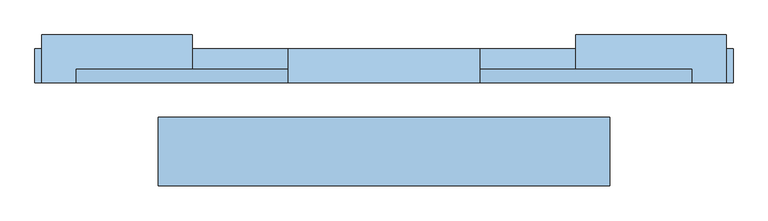
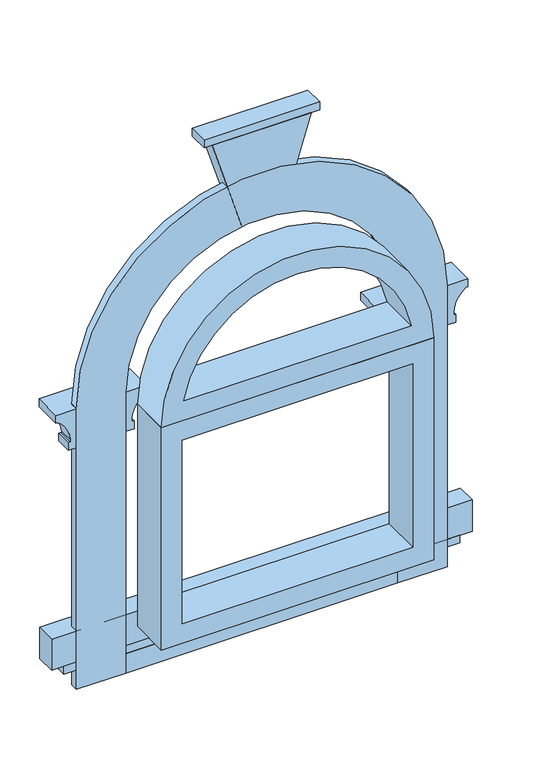
"""IFC4 building model written with IfcOpenShell, lengths in millimetres: window geometry."""

from ifc_helpers import new_model, si_unit, point, frame, frame_2d, origin, place, context, project, spatial, polyline, circle_curve, ellipse_curve, trimmed, segment, composite_curve, outline, extrude, faceted_brep, source, transform, mapped, element, save
from ifc_brep_helpers import plane_surface, revolved_surface, advanced_brep


def window_09633ce5(model_context):
    return source(origin(), model_context, "Body", "SolidModel", [
        extrude(outline(composite_curve([segment(polyline([(650.0, 330.0), (650.0, 450.0), (1370.0, 450.0)]), True, "CONTINUOUS"), segment(trimmed(circle_curve(frame_2d((1370.0, 0.0)), 450.0), [point((1370.0, 450.0))], [point((1370.0, -450.0))], False, "CARTESIAN"), True, "CONTINUOUS"), segment(polyline([(1370.0, -450.0), (650.0, -450.0), (650.0, -330.0), (1370.0, -330.0)]), True, "CONTINUOUS"), segment(trimmed(circle_curve(frame_2d((1370.0, 0.0)), 330.0), [point((1370.0, -330.0))], [point((1370.0, 330.0))], True, "CARTESIAN"), True, "CONTINUOUS"), segment(polyline([(1370.0, 330.0), (650.0, 330.0)]), True, "CONTINUOUS")], self_intersect=False)), frame((0.0, 100.0, 0.0), z_axis=(0.0, 1.0, 0.0), x_axis=(0.0, 0.0, 1.0)), (0.0, 0.0, 1.0), 20.0),
        extrude(outline(polyline([(800.0, 330.0), (1370.0, 330.0), (1370.0, -330.0), (800.0, -330.0), (800.0, 330.0)]), holes=[polyline([(850.0, -280.0), (1320.0, -280.0), (1320.0, 280.0), (850.0, 280.0), (850.0, -280.0)])]), frame((0.0, -50.0, 0.0), z_axis=(0.0, 1.0, 0.0), x_axis=(0.0, 0.0, 1.0)), (0.0, 0.0, 1.0), 100.0),
        faceted_brep([(120.0, 100.0, 1930.0), (120.0, 145.0, 1930.0), (-120.0, 145.0, 1930.0), (-120.0, 100.0, 1930.0), (50.0, 100.0, 1700.0), (-50.0, 100.0, 1700.0), (-50.0, 140.0, 1700.0), (50.0, 140.0, 1700.0)], [[[0, 1, 2, 3]], [[4, 5, 6, 7]], [[4, 7, 1, 0]], [[7, 6, 2, 1]], [[6, 5, 3, 2]], [[5, 4, 0, 3]]]),
        extrude(outline(polyline([(140.0, 100.0), (-140.0, 100.0), (-140.0, 150.0), (140.0, 150.0), (140.0, 100.0)])), frame((0.0, 0.0, 1930.0), z_axis=(0.0, 0.0, 1.0), x_axis=(1.0, 0.0, 0.0)), (0.0, 0.0, 1.0), 20.0),
        advanced_brep(
        [(500.0, 100.0, 1370.0), (450.0, 100.0, 1370.0), (450.0, 100.0, 1270.0), (470.0, 100.0, 1270.0), (470.0, 100.0, 1290.0), (465.0, 100.0, 1290.0), (465.0, 100.0, 1295.0), (495.0, 100.0, 1350.0), (500.0, 100.0, 1350.0), (500.0, 170.0, 1370.0), (280.0, 170.0, 1370.0), (280.0, 100.0, 1370.0), (330.0, 100.0, 1370.0), (330.0, 120.0, 1370.0), (450.0, 120.0, 1370.0), (450.0, 120.0, 1270.0), (330.0, 120.0, 1270.0), (330.0, 100.0, 1270.0), (310.0, 100.0, 1270.0), (310.0, 140.0, 1270.0), (470.0, 140.0, 1270.0), (470.0, 140.0, 1290.0), (310.0, 140.0, 1290.0), (310.0, 100.0, 1290.0), (315.0, 100.0, 1290.0), (315.0, 135.0, 1290.0), (465.0, 135.0, 1290.0), (465.0, 135.0, 1295.0), (495.0, 165.0, 1350.0), (285.0, 165.0, 1350.0), (285.0, 100.0, 1350.0), (280.0, 100.0, 1350.0), (280.0, 170.0, 1350.0), (500.0, 170.0, 1350.0), (315.0, 135.0, 1295.0), (315.0, 100.0, 1295.0)],
        [
            (0, 1),
            (1, 2),
            (2, 3),
            (3, 4),
            (4, 5),
            (5, 6),
            (6, 7, circle_curve(frame((530.4166667, 100.0, 1295.0), z_axis=(0.0, 1.0, 0.0), x_axis=(-1.0, 0.0, 0.0)), 65.4166667)),
            (7, 8),
            (8, 0),
            (0, 9),
            (9, 10),
            (10, 11),
            (11, 12),
            (12, 13),
            (13, 14),
            (14, 1),
            (14, 15),
            (15, 2),
            (15, 16),
            (16, 17),
            (17, 18),
            (18, 19),
            (19, 20),
            (20, 3),
            (20, 21),
            (21, 4),
            (21, 22),
            (22, 23),
            (23, 24),
            (24, 25),
            (25, 26),
            (26, 5),
            (26, 27),
            (27, 6),
            (27, 28, ellipse_curve(frame((530.4166667, 200.4166667, 1295.0), z_axis=(-0.7071067811865475, 0.7071067811865475, 0.0), x_axis=(0.7071067811865474, 0.7071067811865476, 0.0)), 92.5131372, 65.4166667)),
            (28, 7),
            (28, 29),
            (29, 30),
            (30, 31),
            (31, 32),
            (32, 33),
            (33, 8),
            (33, 9),
            (13, 16),
            (19, 22),
            (25, 34),
            (34, 27),
            (34, 29, ellipse_curve(frame((249.5833333, 200.4166667, 1295.0), z_axis=(-0.7071067811865475, -0.7071067811865475, 0.0), x_axis=(-0.7071067811865476, 0.7071067811865474, 0.0)), 92.5131372, 65.4166667)),
            (32, 10),
            (11, 31),
            (30, 35, circle_curve(frame((249.5833333, 100.0, 1295.0), z_axis=(0.0, 1.0, 0.0), x_axis=(1.0, 0.0, 0.0)), 65.4166667)),
            (35, 24),
            (23, 18),
            (17, 12),
            (35, 34),
        ],
        [
            plane_surface(frame((450.0, 100.0, 0.0), z_axis=(0.0, -1.0, 0.0), x_axis=(0.0, 0.0, 1.0))),
            plane_surface(frame((500.0, 100.0, 1370.0), z_axis=(0.0, 0.0, 1.0), x_axis=(0.0, 1.0, 0.0))),
            plane_surface(frame((450.0, 100.0, 1370.0), z_axis=(-1.0, 0.0, 0.0), x_axis=(0.0, 1.0, 0.0))),
            plane_surface(frame((450.0, 100.0, 1270.0), z_axis=(0.0, 0.0, -1.0), x_axis=(0.0, 1.0, 0.0))),
            plane_surface(frame((470.0, 100.0, 1270.0), z_axis=(1.0, 0.0, 0.0), x_axis=(0.0, 1.0, 0.0))),
            plane_surface(frame((470.0, 100.0, 1290.0), z_axis=(0.0, 0.0, 1.0), x_axis=(0.0, 1.0, 0.0))),
            plane_surface(frame((465.0, 100.0, 1290.0), z_axis=(1.0, 0.0, 0.0), x_axis=(0.0, 1.0, 0.0))),
            revolved_surface(polyline([(464.99999999999994, 265.83333336296147, 1295.0), (464.99999999999994, 100.0, 1295.0)]), (530.4166667, 100.0, 1295.0), (0.0, 1.0, 0.0)),
            plane_surface(frame((495.0, 100.0, 1350.0), z_axis=(0.0, 0.0, -1.0), x_axis=(0.0, 1.0, 0.0))),
            plane_surface(frame((500.0, 100.0, 1350.0), z_axis=(1.0, 0.0, 0.0), x_axis=(0.0, 1.0, 0.0))),
            plane_surface(frame((450.0, 120.0, 1370.0), z_axis=(0.0, -1.0, 0.0), x_axis=(-1.0, 0.0, 0.0))),
            plane_surface(frame((470.0, 140.0, 1270.0), z_axis=(0.0, 1.0, 0.0), x_axis=(-1.0, 0.0, 0.0))),
            plane_surface(frame((465.0, 135.0, 1290.0), z_axis=(0.0, 1.0, 0.0), x_axis=(-1.0, 0.0, 0.0))),
            revolved_surface(polyline([(184.16666663703853, 135.0, 1295.0), (595.8333333629614, 135.0, 1295.0)]), (450.0, 200.4166667, 1295.0), (-1.0, 0.0, 0.0)),
            plane_surface(frame((500.0, 170.0, 1350.0), z_axis=(0.0, 1.0, 0.0), x_axis=(-1.0, 0.0, 0.0))),
            plane_surface(frame((330.0, 100.0, 0.0), z_axis=(0.0, -1.0, 0.0), x_axis=(0.0, 0.0, 1.0))),
            plane_surface(frame((330.0, 120.0, 1370.0), z_axis=(1.0, 0.0, 0.0), x_axis=(0.0, -1.0, 0.0))),
            plane_surface(frame((310.0, 140.0, 1270.0), z_axis=(-1.0, 0.0, 0.0), x_axis=(0.0, -1.0, 0.0))),
            plane_surface(frame((315.0, 135.0, 1290.0), z_axis=(-1.0, 0.0, 0.0), x_axis=(0.0, -1.0, 0.0))),
            revolved_surface(polyline([(315.0, 100.0, 1295.0), (315.0, 265.8333333629614, 1295.0)]), (249.5833333, 120.0, 1295.0), (0.0, -1.0, 0.0)),
            plane_surface(frame((280.0, 170.0, 1350.0), z_axis=(-1.0, 0.0, 0.0), x_axis=(0.0, -1.0, 0.0))),
        ],
        [
            (0, [[1, 2, 3, 4, 5, 6, 7, 8, 9]]),
            (1, [[-1, 10, 11, 12, 13, 14, 15, 16]]),
            (2, [[-2, -16, 17, 18]]),
            (3, [[-3, -18, 19, 20, 21, 22, 23, 24]]),
            (4, [[-4, -24, 25, 26]]),
            (5, [[-5, -26, 27, 28, 29, 30, 31, 32]]),
            (6, [[-6, -32, 33, 34]]),
            (7, [[-7, -34, 35, 36]]),
            (8, [[-8, -36, 37, 38, 39, 40, 41, 42]]),
            (9, [[-9, -42, 43, -10]]),
            (10, [[-17, -15, 44, -19]]),
            (11, [[-25, -23, 45, -27]]),
            (12, [[-33, -31, 46, 47]]),
            (13, [[-35, -47, 48, -37]]),
            (14, [[-43, -41, 49, -11]]),
            (15, [[50, -39, 51, 52, -29, 53, -21, 54, -13]]),
            (16, [[-44, -14, -54, -20]]),
            (17, [[-45, -22, -53, -28]]),
            (18, [[-46, -30, -52, 55]]),
            (19, [[-48, -55, -51, -38]]),
            (20, [[-49, -40, -50, -12]]),
        ],
    ),
        advanced_brep(
        [(-280.0, 100.0, 1370.0), (-330.0, 100.0, 1370.0), (-330.0, 100.0, 1270.0), (-310.0, 100.0, 1270.0), (-310.0, 100.0, 1290.0), (-315.0, 100.0, 1290.0), (-315.0, 100.0, 1295.0), (-285.0, 100.0, 1350.0), (-280.0, 100.0, 1350.0), (-280.0, 170.0, 1370.0), (-500.0, 170.0, 1370.0), (-500.0, 100.0, 1370.0), (-450.0, 100.0, 1370.0), (-450.0, 120.0, 1370.0), (-330.0, 120.0, 1370.0), (-330.0, 120.0, 1270.0), (-450.0, 120.0, 1270.0), (-450.0, 100.0, 1270.0), (-470.0, 100.0, 1270.0), (-470.0, 140.0, 1270.0), (-310.0, 140.0, 1270.0), (-310.0, 140.0, 1290.0), (-285.0, 165.0, 1350.0), (-495.0, 165.0, 1350.0), (-495.0, 100.0, 1350.0), (-500.0, 100.0, 1350.0), (-500.0, 170.0, 1350.0), (-280.0, 170.0, 1350.0), (-470.0, 140.0, 1290.0), (-465.0, 100.0, 1295.0), (-465.0, 100.0, 1290.0), (-470.0, 100.0, 1290.0), (-465.0, 135.0, 1290.0), (-315.0, 135.0, 1290.0), (-315.0, 135.0, 1295.0), (-465.0, 135.0, 1295.0)],
        [
            (0, 1),
            (1, 2),
            (2, 3),
            (3, 4),
            (4, 5),
            (5, 6),
            (6, 7, circle_curve(frame((-249.5833333, 100.0, 1295.0), z_axis=(0.0, 1.0, 0.0), x_axis=(-1.0, 0.0, 0.0)), 65.4166667)),
            (7, 8),
            (8, 0),
            (0, 9),
            (9, 10),
            (10, 11),
            (11, 12),
            (12, 13),
            (13, 14),
            (14, 1),
            (14, 15),
            (15, 2),
            (15, 16),
            (16, 17),
            (17, 18),
            (18, 19),
            (19, 20),
            (20, 3),
            (20, 21),
            (21, 4),
            (7, 22),
            (22, 23),
            (23, 24),
            (24, 25),
            (25, 26),
            (26, 27),
            (27, 8),
            (27, 9),
            (13, 16),
            (19, 28),
            (28, 21),
            (26, 10),
            (11, 25),
            (24, 29, circle_curve(frame((-530.4166667, 100.0, 1295.0), z_axis=(0.0, 1.0, 0.0), x_axis=(1.0, 0.0, 0.0)), 65.4166667)),
            (29, 30),
            (30, 31),
            (31, 18),
            (17, 12),
            (31, 28),
            (30, 32),
            (32, 33),
            (33, 5),
            (33, 34),
            (34, 6),
            (34, 22, ellipse_curve(frame((-249.5833333, 200.4166667, 1295.0), z_axis=(-0.7071067811865475, 0.7071067811865475, 0.0), x_axis=(0.7071067811865474, 0.7071067811865476, 0.0)), 92.5131372, 65.4166667)),
            (32, 35),
            (35, 34),
            (35, 23, ellipse_curve(frame((-530.4166667, 200.4166667, 1295.0), z_axis=(-0.7071067811865475, -0.7071067811865475, 0.0), x_axis=(-0.7071067811865476, 0.7071067811865474, 0.0)), 92.5131372, 65.4166667)),
            (29, 35),
        ],
        [
            plane_surface(frame((-330.0, 100.0, 0.0), z_axis=(0.0, -1.0, 0.0), x_axis=(0.0, 0.0, 1.0))),
            plane_surface(frame((-280.0, 100.0, 1370.0), z_axis=(0.0, 0.0, 1.0), x_axis=(0.0, 1.0, 0.0))),
            plane_surface(frame((-330.0, 100.0, 1370.0), z_axis=(-1.0, 0.0, 0.0), x_axis=(0.0, 1.0, 0.0))),
            plane_surface(frame((-330.0, 100.0, 1270.0), z_axis=(0.0, 0.0, -1.0), x_axis=(0.0, 1.0, 0.0))),
            plane_surface(frame((-310.0, 100.0, 1270.0), z_axis=(1.0, 0.0, 0.0), x_axis=(0.0, 1.0, 0.0))),
            plane_surface(frame((-285.0, 100.0, 1350.0), z_axis=(0.0, 0.0, -1.0), x_axis=(0.0, 1.0, 0.0))),
            plane_surface(frame((-280.0, 100.0, 1350.0), z_axis=(1.0, 0.0, 0.0), x_axis=(0.0, 1.0, 0.0))),
            plane_surface(frame((-330.0, 120.0, 1370.0), z_axis=(0.0, -1.0, 0.0), x_axis=(-1.0, 0.0, 0.0))),
            plane_surface(frame((-310.0, 140.0, 1270.0), z_axis=(0.0, 1.0, 0.0), x_axis=(-1.0, 0.0, 0.0))),
            plane_surface(frame((-280.0, 170.0, 1350.0), z_axis=(0.0, 1.0, 0.0), x_axis=(-1.0, 0.0, 0.0))),
            plane_surface(frame((-450.0, 100.0, 0.0), z_axis=(0.0, -1.0, 0.0), x_axis=(0.0, 0.0, 1.0))),
            plane_surface(frame((-450.0, 120.0, 1370.0), z_axis=(1.0, 0.0, 0.0), x_axis=(0.0, -1.0, 0.0))),
            plane_surface(frame((-470.0, 140.0, 1270.0), z_axis=(-1.0, 0.0, 0.0), x_axis=(0.0, -1.0, 0.0))),
            plane_surface(frame((-500.0, 170.0, 1350.0), z_axis=(-1.0, 0.0, 0.0), x_axis=(0.0, -1.0, 0.0))),
            plane_surface(frame((-310.0, 100.0, 1290.0), z_axis=(0.0, 0.0, 1.0), x_axis=(0.0, 1.0, 0.0))),
            plane_surface(frame((-315.0, 100.0, 1290.0), z_axis=(1.0, 0.0, 0.0), x_axis=(0.0, 1.0, 0.0))),
            revolved_surface(polyline([(-315.0, 265.83333336296147, 1295.0), (-315.0, 100.0, 1295.0)]), (-249.5833333, 100.0, 1295.0), (0.0, 1.0, 0.0)),
            plane_surface(frame((-315.0, 135.0, 1290.0), z_axis=(0.0, 1.0, 0.0), x_axis=(-1.0, 0.0, 0.0))),
            revolved_surface(polyline([(-595.8333333629614, 135.0, 1295.0), (-184.16666663703856, 135.0, 1295.0)]), (-330.0, 200.4166667, 1295.0), (-1.0, 0.0, 0.0)),
            plane_surface(frame((-465.0, 135.0, 1290.0), z_axis=(-1.0, 0.0, 0.0), x_axis=(0.0, -1.0, 0.0))),
            revolved_surface(polyline([(-464.99999999999994, 100.0, 1295.0), (-464.99999999999994, 265.8333333629614, 1295.0)]), (-530.4166667, 120.0, 1295.0), (0.0, -1.0, 0.0)),
        ],
        [
            (0, [[1, 2, 3, 4, 5, 6, 7, 8, 9]]),
            (1, [[-1, 10, 11, 12, 13, 14, 15, 16]]),
            (2, [[-2, -16, 17, 18]]),
            (3, [[-3, -18, 19, 20, 21, 22, 23, 24]]),
            (4, [[-4, -24, 25, 26]]),
            (5, [[-8, 27, 28, 29, 30, 31, 32, 33]]),
            (6, [[-9, -33, 34, -10]]),
            (7, [[-17, -15, 35, -19]]),
            (8, [[-25, -23, 36, 37]]),
            (9, [[-34, -32, 38, -11]]),
            (10, [[39, -30, 40, 41, 42, 43, -21, 44, -13]]),
            (11, [[-35, -14, -44, -20]]),
            (12, [[-36, -22, -43, 45]]),
            (13, [[-38, -31, -39, -12]]),
            (14, [[-5, -26, -37, -45, -42, 46, 47, 48]]),
            (15, [[-6, -48, 49, 50]]),
            (16, [[-7, -50, 51, -27]]),
            (17, [[-49, -47, 52, 53]]),
            (18, [[-51, -53, 54, -28]]),
            (19, [[-52, -46, -41, 55]]),
            (20, [[-54, -55, -40, -29]]),
        ],
    ),
        extrude(outline(polyline([(330.0, 100.0), (-330.0, 100.0), (-330.0, 140.0), (330.0, 140.0), (330.0, 100.0)])), frame((0.0, 0.0, 650.0), z_axis=(0.0, 0.0, 1.0), x_axis=(1.0, 0.0, 0.0)), (0.0, 0.0, 1.0), 50.0),
        extrude(outline(polyline([(480.0, 100.0), (-480.0, 100.0), (-480.0, 145.0), (480.0, 145.0), (480.0, 100.0)])), frame((0.0, 0.0, 700.0), z_axis=(0.0, 0.0, 1.0), x_axis=(1.0, 0.0, 0.0)), (0.0, 0.0, 1.0), 20.0),
        extrude(outline(polyline([(510.0, 100.0), (-510.0, 100.0), (-510.0, 150.0), (510.0, 150.0), (510.0, 100.0)])), frame((0.0, 0.0, 720.0), z_axis=(0.0, 0.0, 1.0), x_axis=(1.0, 0.0, 0.0)), (0.0, 0.0, 1.0), 80.0),
        extrude(outline(composite_curve([segment(trimmed(circle_curve(frame_2d((1370.0, 0.0)), 330.0), [point((1370.0, 330.0))], [point((1370.0, -330.0))], False, "CARTESIAN"), True, "CONTINUOUS"), segment(polyline([(1370.0, -330.0), (1370.0, 330.0)]), True, "CONTINUOUS")], self_intersect=False), holes=[composite_curve([segment(trimmed(circle_curve(frame_2d((1370.0, 0.0)), 280.0), [point((1420.0, -275.4995463))], [point((1420.0, 275.4995463))], True, "CARTESIAN"), True, "CONTINUOUS"), segment(polyline([(1420.0, 275.4995463), (1420.0, -275.4995463)]), True, "CONTINUOUS")], self_intersect=False)]), frame((0.0, -50.0, 0.0), z_axis=(0.0, 1.0, 0.0), x_axis=(0.0, 0.0, 1.0)), (0.0, 0.0, 1.0), 100.0),
    ])


if __name__ == "__main__":
    model = new_model("IFC4")
    model_context = context("Model", 3, world=origin())
    ifc_project = project(units=[si_unit("LENGTHUNIT", "METRE", prefix="MILLI")], contexts=[model_context])
    site = spatial("IfcSite", under=ifc_project)
    building = spatial("IfcBuilding", under=site)
    placement = place(None, origin())
    window_shape = window_09633ce5(model_context)
    element("IfcWindow", 1, at=placement, inside=building, context=model_context, shape_type="MappedRepresentation", body=[
        mapped(window_shape, transform((0.0, 0.0, 0.0), x_axis=(1.0, 0.0, 0.0), y_axis=(0.0, 1.0, 0.0), z_axis=(0.0, 0.0, 1.0))),
    ])
    save(model, "model.ifc")
